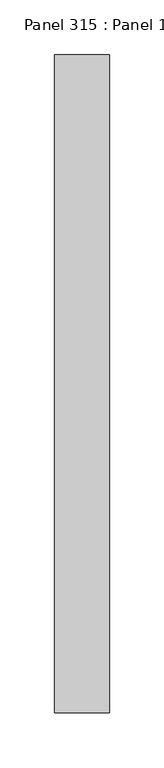
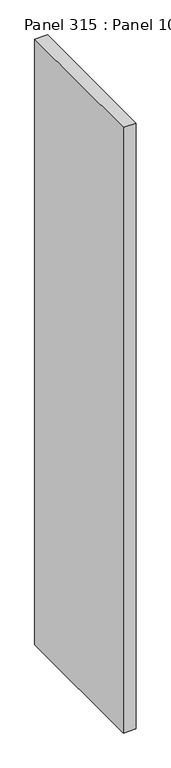
"""IFC4 building model written with IfcOpenShell, lengths in millimetres: proxy geometry, Panel 315 : Panel 1006."""

from ifc_helpers import new_model, si_unit, frame, origin, place, context, project, spatial, polyline, outline, extrude, source, transform, mapped, element, save


def panel_315_panel_1006_71622614(model_context):
    return source(origin(), model_context, "Body", "SweptSolid", [
        extrude(outline(polyline([(39817.4760008, 338605.7854069), (39767.4759587, 338605.7854065), (39767.4759803, 339205.7854484), (39817.4760224, 339205.7854488), (39817.4760008, 338605.7854069)])), frame((0.0, 0.0, 34575.0), z_axis=(0.0, 0.0, 1.0), x_axis=(1.0, 0.0, 0.0)), (0.0, 0.0, 1.0), 2500.0),
    ])


if __name__ == "__main__":
    model = new_model("IFC4")
    model_context = context("Model", 3, world=origin())
    ifc_project = project(units=[si_unit("LENGTHUNIT", "METRE", prefix="MILLI")], contexts=[model_context])
    site = spatial("IfcSite", under=ifc_project)
    building = spatial("IfcBuilding", under=site)
    placement = place(None, origin())
    panel_315_panel_1006_shape = panel_315_panel_1006_71622614(model_context)
    element("IfcBuildingElementProxy", 1, Name="Panel 315 : Panel 1006", ObjectType="Panel 315 : Panel 1006", at=placement, inside=building, context=model_context, shape_type="MappedRepresentation", body=[
        mapped(panel_315_panel_1006_shape, transform((0.0, 0.0, 0.0), x_axis=(1.0, 0.0, 0.0), y_axis=(0.0, 1.0, 0.0), z_axis=(0.0, 0.0, 1.0))),
    ])
    save(model, "model.ifc")
